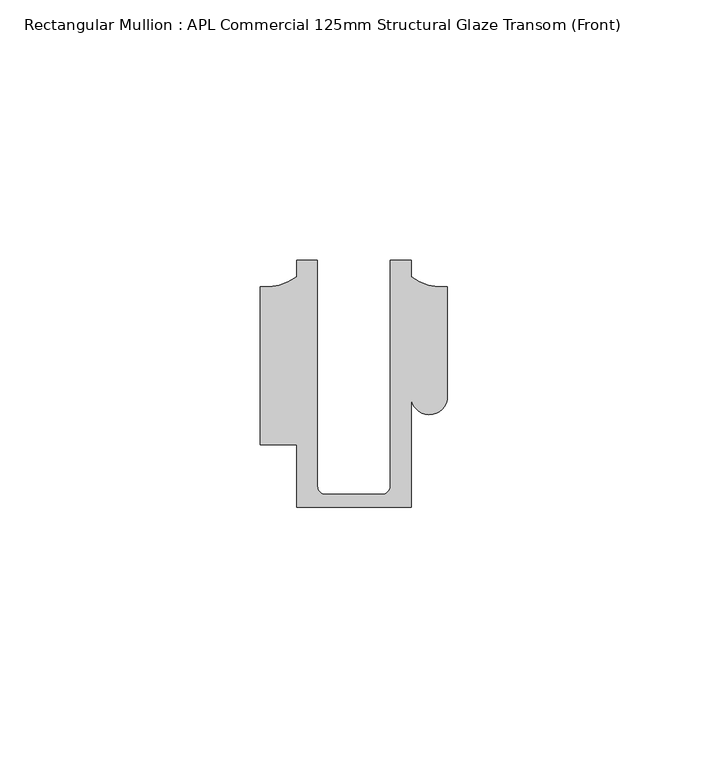
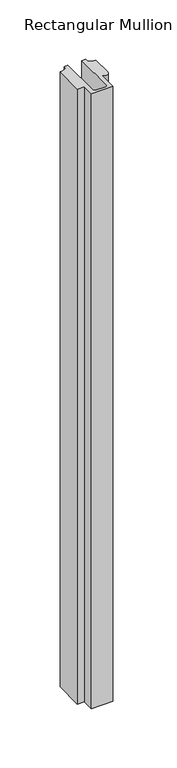
"""IFC4 building model written with IfcOpenShell, lengths in millimetres: member geometry, Rectangular Mullion : APL Commercial 125mm Structural Glaze Transom (Front)."""

from ifc_helpers import new_model, si_unit, frame, origin, place, context, project, spatial, polyline, circle_curve, source, transform, mapped, element, save
from ifc_brep_helpers import plane_surface, cylinder_surface, revolved_surface, advanced_brep


def rectangular_mullion_apl_commercial_125mm_structural_glaze_75dfa1ae(model_context):
    return source(origin(), model_context, "Body", "AdvancedBrep", [
        advanced_brep(
        [(-11.0000151, -27.0, 0.0), (11.001071, -27.0, 0.0), (11.001071, -5.5848769, 0.0), (17.9999091, -5.6750512, 0.0), (17.9999542, 15.3797475, 0.0), (11.0000151, 17.3125212, 0.0), (11.0000151, 20.5, 0.0), (6.9999849, 20.5, 0.0), (6.9999849, -22.9973451, 0.0), (5.4999872, -24.5, 0.0), (-5.4999873, -24.5, 0.0), (-6.9999853, -22.9976091, 0.0), (-6.9999853, 20.5, 0.0), (-10.9999994, 20.5, 0.0), (-10.9999994, 17.3125325, 0.0), (-17.9999542, 15.3797475, 0.0), (-17.9999542, -15.0006281, 0.0), (-11.0000151, -15.0006281, 0.0), (-11.0000151, -27.0, -657.513526), (-11.0000151, -15.0006281, -657.513526), (-17.9999542, -15.0006281, -657.513526), (-17.9999542, 15.3797475, -657.513526), (-10.9999994, 17.3125325, -657.513526), (-10.9999994, 20.5, -657.513526), (-6.9999853, 20.5, -657.513526), (-6.9999853, -22.9976091, -657.513526), (-5.4999873, -24.5, -657.513526), (5.4999872, -24.5, -657.513526), (6.9999849, -22.9973451, -657.513526), (6.9999849, 20.5, -657.513526), (11.0000151, 20.5, -657.513526), (11.0000151, 17.3125212, -657.513526), (17.9999542, 15.3797475, -657.513526), (17.9999542, -5.684606, -657.513526), (11.001071, -5.5848769, -657.513526), (11.001071, -27.0, -657.513526)],
        [
            (0, 1),
            (1, 2),
            (2, 3, circle_curve(frame((14.4999091, -5.6750512, 0.0), z_axis=(0.0, 0.0, 1.0), x_axis=(-0.9999826028573957, 0.005898642432633649, 0.0)), 3.5)),
            (3, 4),
            (4, 5, circle_curve(frame((17.109817, 25.7981812, 0.0), z_axis=(0.0, 0.0, -1.0), x_axis=(0.0, -1.0, 0.0)), 10.4563907)),
            (5, 6),
            (6, 7),
            (7, 8),
            (8, 9, circle_curve(frame((5.4999872, -23.0, 0.0), z_axis=(0.0, 0.0, -1.0), x_axis=(0.9999999999999986, 5.463622857820516e-08, 0.0)), 1.5)),
            (9, 10),
            (10, 11, circle_curve(frame((-5.4999873, -23.0, 0.0), z_axis=(0.0, 0.0, -1.0), x_axis=(2.7320010112268853e-08, -0.9999999999999997, 0.0)), 1.5)),
            (11, 12),
            (12, 13),
            (13, 14),
            (14, 15, circle_curve(frame((-17.109817, 25.7981812, 0.0), z_axis=(0.0, 0.0, -1.0), x_axis=(0.0, -1.0, 0.0)), 10.4563907)),
            (15, 16),
            (16, 17),
            (17, 0),
            (18, 19),
            (19, 20),
            (20, 21),
            (21, 22, circle_curve(frame((-17.109817, 25.7981812, -657.513526), z_axis=(0.0, 0.0, 1.0), x_axis=(0.0, -1.0, 0.0)), 10.4563907)),
            (22, 23),
            (23, 24),
            (24, 25),
            (25, 26, circle_curve(frame((-5.4999873, -23.0, -657.513526), z_axis=(0.0, 0.0, 1.0), x_axis=(2.7320010112268853e-08, -0.9999999999999997, 0.0)), 1.5)),
            (26, 27),
            (27, 28, circle_curve(frame((5.4999872, -23.0, -657.513526), z_axis=(0.0, 0.0, 1.0), x_axis=(0.9999999999999986, 5.463622857820516e-08, 0.0)), 1.5)),
            (28, 29),
            (29, 30),
            (30, 31),
            (31, 32, circle_curve(frame((17.109817, 25.7981812, -657.513526), z_axis=(0.0, 0.0, 1.0), x_axis=(0.0, -1.0, 0.0)), 10.4563907)),
            (32, 33),
            (33, 34, circle_curve(frame((14.4999091, -5.6750512, -657.513526), z_axis=(0.0, 0.0, -1.0), x_axis=(-0.9999826028573957, 0.005898642432633649, 0.0)), 3.5)),
            (34, 35),
            (35, 18),
            (0, 18),
            (35, 1),
            (34, 2),
            (33, 3),
            (32, 4),
            (31, 5),
            (30, 6),
            (29, 7),
            (28, 8),
            (27, 9),
            (26, 10),
            (25, 11),
            (24, 12),
            (23, 13),
            (22, 14),
            (21, 15),
            (20, 16),
            (19, 17),
        ],
        [
            plane_surface(frame((0.0, -29.1551636, 0.0), z_axis=(0.0, 0.0, 1.0), x_axis=(-1.0, 0.0, 0.0))),
            plane_surface(frame((0.0, -29.1551636, -657.513526), z_axis=(0.0, 0.0, -1.0), x_axis=(-1.0, 0.0, 0.0))),
            plane_surface(frame((-11.0000151, -27.0, 0.0), z_axis=(0.0, -1.0, 0.0), x_axis=(0.0, 0.0, -1.0))),
            plane_surface(frame((11.001071, -27.0, 0.0), z_axis=(1.0, 0.0, 0.0), x_axis=(0.0, 0.0, -1.0))),
            cylinder_surface(frame((14.4999091, -5.6750512, 0.0), z_axis=(0.0, 0.0, 1.0), x_axis=(-0.9999826028573957, 0.005898642432633649, 0.0)), 3.5),
            plane_surface(frame((17.9999542, -5.684606, 0.0), z_axis=(1.0, 0.0, 0.0), x_axis=(0.0, 0.0, -1.0))),
            revolved_surface(polyline([(17.109817, 15.341790499999998, -657.513526), (17.109817, 15.341790499999998, 0.0)]), (17.109817, 25.7981812, 0.0), (0.0, 0.0, -1.0)),
            plane_surface(frame((11.0000151, 17.3125212, 0.0), z_axis=(1.0, 0.0, 0.0), x_axis=(0.0, 0.0, -1.0))),
            plane_surface(frame((11.0000151, 20.5, 0.0), z_axis=(0.0, 1.0, 0.0), x_axis=(0.0, 0.0, -1.0))),
            plane_surface(frame((6.9999849, 20.5, 0.0), z_axis=(-1.0, 0.0, 0.0), x_axis=(0.0, 0.0, -1.0))),
            revolved_surface(polyline([(6.999987199999998, -22.999999918045656, -657.513526), (6.999987199999998, -22.999999918045656, 0.0)]), (5.4999872, -23.0, 0.0), (0.0, 0.0, -1.0)),
            plane_surface(frame((5.4999872, -24.5, 0.0), z_axis=(0.0, 1.0, 0.0), x_axis=(0.0, 0.0, -1.0))),
            revolved_surface(polyline([(-5.499987259019985, -24.5, -657.513526), (-5.499987259019985, -24.5, 0.0)]), (-5.4999873, -23.0, 0.0), (0.0, 0.0, -1.0)),
            plane_surface(frame((-6.9999853, -22.9976091, 0.0), z_axis=(1.0, 0.0, 0.0), x_axis=(0.0, 0.0, -1.0))),
            plane_surface(frame((-6.9999853, 20.5, 0.0), z_axis=(0.0, 1.0, 0.0), x_axis=(0.0, 0.0, -1.0))),
            plane_surface(frame((-10.9999994, 20.5, 0.0), z_axis=(-1.0, 0.0, 0.0), x_axis=(0.0, 0.0, -1.0))),
            revolved_surface(polyline([(-17.109817, 15.341790499999998, -657.513526), (-17.109817, 15.341790499999998, 0.0)]), (-17.109817, 25.7981812, 0.0), (0.0, 0.0, -1.0)),
            plane_surface(frame((-17.9999542, 15.3797475, 0.0), z_axis=(-1.0, 0.0, 0.0), x_axis=(0.0, 0.0, -1.0))),
            plane_surface(frame((-17.9999542, -15.0006281, 0.0), z_axis=(0.0, -1.0, 0.0), x_axis=(0.0, 0.0, -1.0))),
            plane_surface(frame((-11.0000151, -15.0006281, 0.0), z_axis=(-1.0, 0.0, 0.0), x_axis=(0.0, 0.0, -1.0))),
        ],
        [
            (0, [[1, 2, 3, 4, 5, 6, 7, 8, 9, 10, 11, 12, 13, 14, 15, 16, 17, 18]]),
            (1, [[19, 20, 21, 22, 23, 24, 25, 26, 27, 28, 29, 30, 31, 32, 33, 34, 35, 36]]),
            (2, [[-1, 37, -36, 38]]),
            (3, [[-2, -38, -35, 39]]),
            (4, [[-3, -39, -34, 40]]),
            (5, [[-4, -40, -33, 41]]),
            (6, [[-5, -41, -32, 42]]),
            (7, [[-6, -42, -31, 43]]),
            (8, [[-7, -43, -30, 44]]),
            (9, [[-8, -44, -29, 45]]),
            (10, [[-9, -45, -28, 46]]),
            (11, [[-10, -46, -27, 47]]),
            (12, [[-11, -47, -26, 48]]),
            (13, [[-12, -48, -25, 49]]),
            (14, [[-13, -49, -24, 50]]),
            (15, [[-14, -50, -23, 51]]),
            (16, [[-15, -51, -22, 52]]),
            (17, [[-16, -52, -21, 53]]),
            (18, [[-17, -53, -20, 54]]),
            (19, [[-18, -54, -19, -37]]),
        ],
    ),
    ])


if __name__ == "__main__":
    model = new_model("IFC4")
    model_context = context("Model", 3, world=origin())
    ifc_project = project(units=[si_unit("LENGTHUNIT", "METRE", prefix="MILLI")], contexts=[model_context])
    site = spatial("IfcSite", under=ifc_project)
    building = spatial("IfcBuilding", under=site)
    placement = place(None, origin())
    rectangular_mullion_apl_commercial_125mm_structural_glaze_shape = rectangular_mullion_apl_commercial_125mm_structural_glaze_75dfa1ae(model_context)
    element("IfcMember", 1, ObjectType="Rectangular Mullion : APL Commercial 125mm Structural Glaze Transom (Front)", at=placement, inside=building, context=model_context, shape_type="MappedRepresentation", body=[
        mapped(rectangular_mullion_apl_commercial_125mm_structural_glaze_shape, transform((0.0, 0.0, 0.0), x_axis=(1.0, 0.0, 0.0), y_axis=(0.0, 1.0, 0.0), z_axis=(0.0, 0.0, 1.0))),
    ])
    save(model, "model.ifc")
